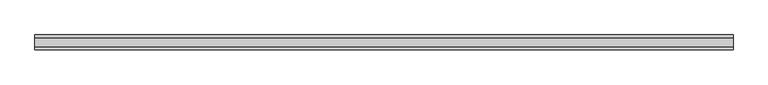
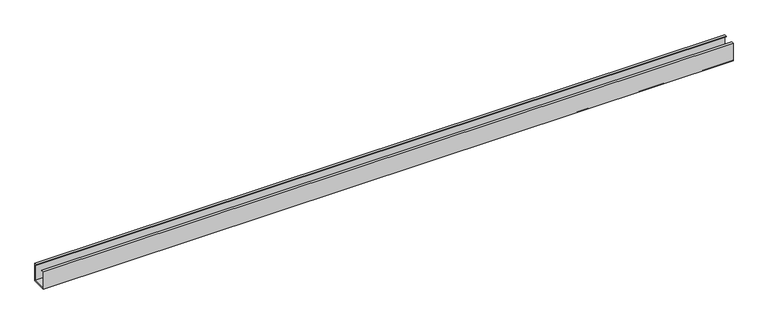
"""IFC4 building model written with IfcOpenShell, lengths in millimetres: proxy geometry."""

from ifc_helpers import new_model, si_unit, frame, origin, place, context, project, spatial, polyline, outline, extrude, source, transform, mapped, element, save


def generic_models_536eb082(model_context):
    return source(origin(), model_context, "Body", "SweptSolid", [
        extrude(outline(polyline([(0.0, 0.0), (5.5, 0.0), (5.5, -0.8), (0.8, -0.8), (0.8, -36.2), (29.2, -36.2), (29.2, -0.8), (24.5, -0.8), (24.5, 0.0), (30.0, 0.0), (30.0, -37.0), (0.0, -37.0), (0.0, 0.0)])), frame((0.0, 0.0, 0.0), z_axis=(1.0, 0.0, 0.0), x_axis=(0.0, 1.0, 0.0)), (0.0, 0.0, 1.0), 1400.0000003),
    ])


if __name__ == "__main__":
    model = new_model("IFC4")
    model_context = context("Model", 3, world=origin())
    ifc_project = project(units=[si_unit("LENGTHUNIT", "METRE", prefix="MILLI")], contexts=[model_context])
    site = spatial("IfcSite", under=ifc_project)
    building = spatial("IfcBuilding", under=site)
    placement = place(None, origin())
    generic_models_shape = generic_models_536eb082(model_context)
    element("IfcBuildingElementProxy", 1, Name="Generic Models", at=placement, inside=building, context=model_context, shape_type="MappedRepresentation", body=[
        mapped(generic_models_shape, transform((0.0, 0.0, 0.0), x_axis=(1.0, 0.0, 0.0), y_axis=(0.0, 1.0, 0.0), z_axis=(0.0, 0.0, 1.0))),
    ])
    save(model, "model.ifc")
